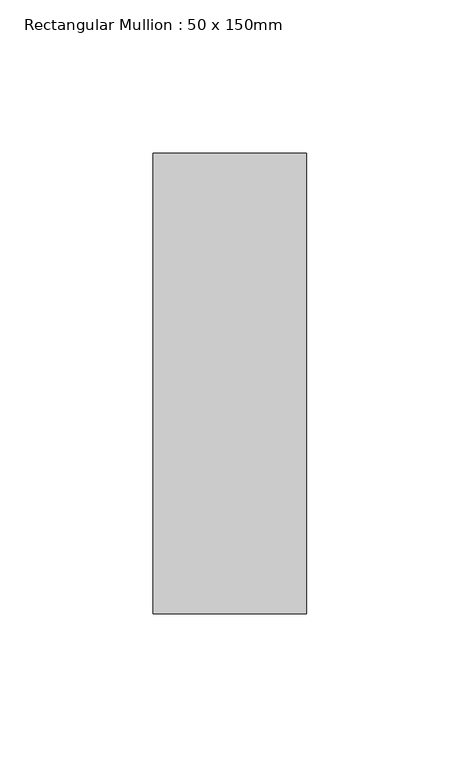
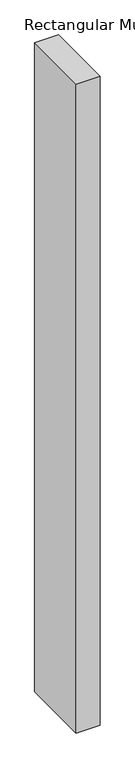
"""IFC4 building model written with IfcOpenShell, lengths in millimetres: member geometry, Rectangular Mullion : 50 x 150mm."""

import ifcopenshell
import ifcopenshell.guid

model = None  # the IFC model being written
_history = None  # IfcOwnerHistory: only IFC2X3 demands one
_inside = {}  # id of a spatial element -> (the spatial element, [elements in it])
_under = {}  # id of a project, library or spatial element -> (it, [spatial elements below it])
_declared = {}  # id of a project -> (the project, [libraries it declares])
_typed = {}  # id of a type object -> (the type object, [elements of that type])
_made_of = {}  # id of a material, layer set ... -> (it, [elements and type objects made of it])


def new_model(schema):
    """Start an empty IFC model of exactly this schema.

    Asked for "IFC4X3", IfcOpenShell would pick the latest addendum, in which some entities
    have other attributes; the version numbers below select the first issue.
    IFC2X3 requires an IfcOwnerHistory on every rooted entity: one is made here for all.
    """
    global model, _history
    if schema == "IFC4X3":
        model = ifcopenshell.file(schema_version=(4, 3, 0, 0))
    else:
        model = ifcopenshell.file(schema=schema)
    _inside.clear()
    _under.clear()
    _declared.clear()
    _typed.clear()
    _made_of.clear()
    _history = None
    if model.schema == "IFC2X3":
        org = make("IfcOrganization", Name="unknown")
        user = make(
            "IfcPersonAndOrganization",
            ThePerson=make("IfcPerson", FamilyName="unknown"),
            TheOrganization=org,
        )
        app = make(
            "IfcApplication",
            ApplicationDeveloper=org,
            Version="unknown",
            ApplicationFullName="unknown",
            ApplicationIdentifier="unknown",
        )
        _history = make(
            "IfcOwnerHistory",
            OwningUser=user,
            OwningApplication=app,
            ChangeAction="ADDED",
            CreationDate=0,
        )
    return model


def make(cls, **values):
    """One entity of the class cls with the attributes given. An attribute that is None is left unset."""
    return model.create_entity(
        cls, **{name: value for name, value in values.items() if value is not None}
    )


def rooted(cls, **values):
    """An entity with a GlobalId (a new one), such as an element, a storey or a relation."""
    return make(cls, GlobalId=ifcopenshell.guid.new(), OwnerHistory=_history, **values)


def si_unit(unit_type, name, prefix=None):
    """IfcSIUnit, for example si_unit("LENGTHUNIT", "METRE", prefix="MILLI")."""
    return make("IfcSIUnit", UnitType=unit_type, Prefix=prefix, Name=name)


def assignment(units):
    """IfcUnitAssignment: the units of a project."""
    return None if units is None else make("IfcUnitAssignment", Units=units)


def point(xyz):
    """IfcCartesianPoint."""
    return None if xyz is None else make("IfcCartesianPoint", Coordinates=xyz)


def direction(xyz):
    """IfcDirection."""
    return None if xyz is None else make("IfcDirection", DirectionRatios=xyz)


def frame(location, z_axis=None, x_axis=None):
    """IfcAxis2Placement3D, a coordinate frame: its origin and axes. An axis left out is left unset."""
    return make(
        "IfcAxis2Placement3D",
        Location=point(location),
        Axis=direction(z_axis),
        RefDirection=direction(x_axis),
    )


def origin():
    """The frame at (0, 0, 0) with its axes left unset."""
    return frame((0.0, 0.0, 0.0))


def place(relative_to, where):
    """IfcLocalPlacement: puts the frame where relative to a parent placement (None: the world)."""
    return make(
        "IfcLocalPlacement", PlacementRelTo=relative_to, RelativePlacement=where
    )


def context(
    kind, dimensions, precision=None, world=None, true_north=None, identifier=None
):
    """IfcGeometricRepresentationContext, for example the 3D "Model" context."""
    return make(
        "IfcGeometricRepresentationContext",
        ContextIdentifier=identifier,
        ContextType=kind,
        CoordinateSpaceDimension=dimensions,
        Precision=precision,
        WorldCoordinateSystem=world,
        TrueNorth=true_north,
    )


def project(units=None, contexts=None):
    """IfcProject with its units and contexts."""
    return rooted(
        "IfcProject",
        Name="project",
        RepresentationContexts=contexts,
        UnitsInContext=assignment(units),
    )


def spatial(cls, under=None, at=None, **own):
    """A site, building, storey or space (cls), placed at a placement, below another one or the project."""
    s = rooted(cls, ObjectPlacement=at, **own)
    if under is not None:
        _under.setdefault(under.id(), (under, []))[1].append(s)
    return s


def polyline(points):
    """IfcPolyline through the points."""
    return make("IfcPolyline", Points=[point(p) for p in points])


def outline(outer, holes=None, kind="AREA"):
    """IfcArbitraryClosedProfileDef: a profile drawn as a closed curve; with holes, ...WithVoids."""
    if holes is None:
        return make("IfcArbitraryClosedProfileDef", ProfileType=kind, OuterCurve=outer)
    return make(
        "IfcArbitraryProfileDefWithVoids",
        ProfileType=kind,
        OuterCurve=outer,
        InnerCurves=holes,
    )


def extrude(swept, where, along, depth):
    """IfcExtrudedAreaSolid: the profile swept, set in the frame where, extruded along a direction by depth."""
    return make(
        "IfcExtrudedAreaSolid",
        SweptArea=swept,
        Position=where,
        ExtrudedDirection=direction(along),
        Depth=depth,
    )


def shape(context_of_items, identifier, shape_type, items):
    """IfcShapeRepresentation: the items that make up one representation, for example the "Body"."""
    return make(
        "IfcShapeRepresentation",
        ContextOfItems=context_of_items,
        RepresentationIdentifier=identifier,
        RepresentationType=shape_type,
        Items=items,
    )


def source(mapping_origin, context_of_items, identifier, shape_type, items):
    """IfcRepresentationMap: a shape defined once, which mapped items show again and again."""
    return make(
        "IfcRepresentationMap",
        MappingOrigin=mapping_origin,
        MappedRepresentation=shape(context_of_items, identifier, shape_type, items),
    )


def transform(
    local_origin,
    x_axis=None,
    y_axis=None,
    z_axis=None,
    scale=None,
    scale2=None,
    scale3=None,
    uniform=True,
):
    """IfcCartesianTransformationOperator3D, or its non-uniform kind. x_axis, y_axis, z_axis: its Axis1, 2, 3."""
    if uniform:
        return make(
            "IfcCartesianTransformationOperator3D",
            Axis1=direction(x_axis),
            Axis2=direction(y_axis),
            LocalOrigin=point(local_origin),
            Scale=scale,
            Axis3=direction(z_axis),
        )
    return make(
        "IfcCartesianTransformationOperator3DnonUniform",
        Axis1=direction(x_axis),
        Axis2=direction(y_axis),
        LocalOrigin=point(local_origin),
        Scale=scale,
        Axis3=direction(z_axis),
        Scale2=scale2,
        Scale3=scale3,
    )


def mapped(mapping_source, mapping_target):
    """IfcMappedItem: shows the shape of a source again, moved by a transform."""
    return make(
        "IfcMappedItem", MappingSource=mapping_source, MappingTarget=mapping_target
    )


def made_of(thing, what):
    """Note that an element or type object is made of a material, layer set ...; save() writes the relation."""
    if what is not None:
        _made_of.setdefault(what.id(), (what, []))[1].append(thing)
    return thing


def element(
    cls,
    number,
    at=None,
    inside=None,
    cuts=None,
    type_object=None,
    material=None,
    context=None,
    identifier="Body",
    shape_type=None,
    held_by="IfcProductDefinitionShape",
    body=None,
    shapes=None,
    **own,
):
    """One element of the class cls, such as IfcWall. Its Tag is "e" and its number.

    at: its placement. inside: the storey or other place that contains it. cuts: it is an
    opening in that element (IfcRelVoidsElement). A single representation is given by context,
    identifier, shape_type and body (its items); several are given by shapes. held_by: the class
    of the entity that holds the representations. save() writes the other relations.
    """
    e = rooted(cls, Tag="e%d" % number, ObjectPlacement=at, **own)
    if body is not None:
        shapes = [shape(context, identifier, shape_type, body)]
    if shapes is not None:
        e.Representation = make(held_by, Representations=shapes)
    if inside is not None:
        _inside.setdefault(inside.id(), (inside, []))[1].append(e)
    if cuts is not None:
        rooted(
            "IfcRelVoidsElement", RelatingBuildingElement=cuts, RelatedOpeningElement=e
        )
    if type_object is not None:
        _typed.setdefault(type_object.id(), (type_object, []))[1].append(e)
    return made_of(e, material)


def aggregate(whole, parts):
    """IfcRelAggregates: a whole, such as a stair, and the parts it consists of."""
    return rooted("IfcRelAggregates", RelatingObject=whole, RelatedObjects=parts)


def save(model, path):
    """Write the relations noted so far, then the file.

    IfcRelAggregates (storeys below a building ...), IfcRelContainedInSpatialStructure (elements
    in a storey), IfcRelDefinesByType, IfcRelAssociatesMaterial and IfcRelDeclares: one each for
    every whole, place, type object, material and project.
    """
    for whole, parts in _under.values():
        aggregate(whole, parts)
    for where, things in _inside.values():
        rooted(
            "IfcRelContainedInSpatialStructure",
            RelatedElements=things,
            RelatingStructure=where,
        )
    for kind, things in _typed.values():
        rooted("IfcRelDefinesByType", RelatedObjects=things, RelatingType=kind)
    for what, things in _made_of.values():
        rooted("IfcRelAssociatesMaterial", RelatedObjects=things, RelatingMaterial=what)
    for by, libraries in _declared.values():
        rooted("IfcRelDeclares", RelatingContext=by, RelatedDefinitions=libraries)
    model.write(path)


def rectangular_mullion_50_x_150mm_9f238b63(model_context):
    return source(origin(), model_context, "Body", "SweptSolid", [
        extrude(outline(polyline([(0.0, 75.0), (0.0, -75.0), (-50.0, -75.0), (-50.0, 75.0), (0.0, 75.0)])), frame((0.0, 0.0, -1432.2330358), z_axis=(0.0, 0.0, 1.0), x_axis=(1.0, 0.0, 0.0)), (0.0, 0.0, 1.0), 1432.2330358),
    ])


if __name__ == "__main__":
    model = new_model("IFC4")
    model_context = context("Model", 3, world=origin())
    ifc_project = project(units=[si_unit("LENGTHUNIT", "METRE", prefix="MILLI")], contexts=[model_context])
    site = spatial("IfcSite", under=ifc_project)
    building = spatial("IfcBuilding", under=site)
    placement = place(None, origin())
    rectangular_mullion_50_x_150mm_shape = rectangular_mullion_50_x_150mm_9f238b63(model_context)
    element("IfcMember", 1, ObjectType="Rectangular Mullion : 50 x 150mm", at=placement, inside=building, context=model_context, shape_type="MappedRepresentation", body=[
        mapped(rectangular_mullion_50_x_150mm_shape, transform((0.0, 0.0, 0.0), x_axis=(1.0, 0.0, 0.0), y_axis=(0.0, 1.0, 0.0), z_axis=(0.0, 0.0, 1.0))),
    ])
    save(model, "model.ifc")
